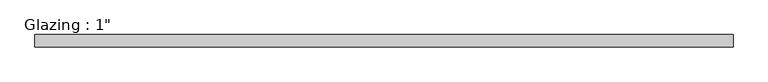
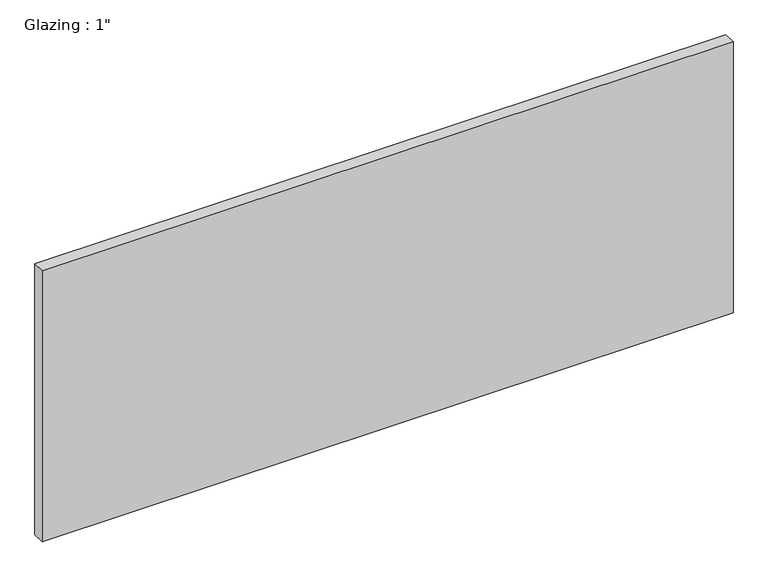
"""IFC4 building model written with IfcOpenShell, lengths in millimetres: plate geometry."""

from ifc_helpers import new_model, si_unit, origin, origin_with_axes, place, context, project, spatial, polyline, outline, extrude, source, transform, mapped, element, save


def plate_6b984e4b(model_context):
    return source(origin(), model_context, "Body", "SweptSolid", [
        extrude(outline(polyline([(712.2527053, 12.7), (712.2527053, -12.7), (-712.2527053, -12.7), (-712.2527053, 12.7), (712.2527053, 12.7)])), origin_with_axes(), (0.0, 0.0, 1.0), 590.5497736),
    ])


if __name__ == "__main__":
    model = new_model("IFC4")
    model_context = context("Model", 3, world=origin())
    ifc_project = project(units=[si_unit("LENGTHUNIT", "METRE", prefix="MILLI")], contexts=[model_context])
    site = spatial("IfcSite", under=ifc_project)
    building = spatial("IfcBuilding", under=site)
    placement = place(None, origin())
    plate_shape = plate_6b984e4b(model_context)
    element("IfcPlate", 1, ObjectType="Glazing : 1\"", at=placement, inside=building, context=model_context, shape_type="MappedRepresentation", body=[
        mapped(plate_shape, transform((0.0, 0.0, 0.0), x_axis=(1.0, 0.0, 0.0), y_axis=(0.0, 1.0, 0.0), z_axis=(0.0, 0.0, 1.0))),
    ])
    save(model, "model.ifc")
